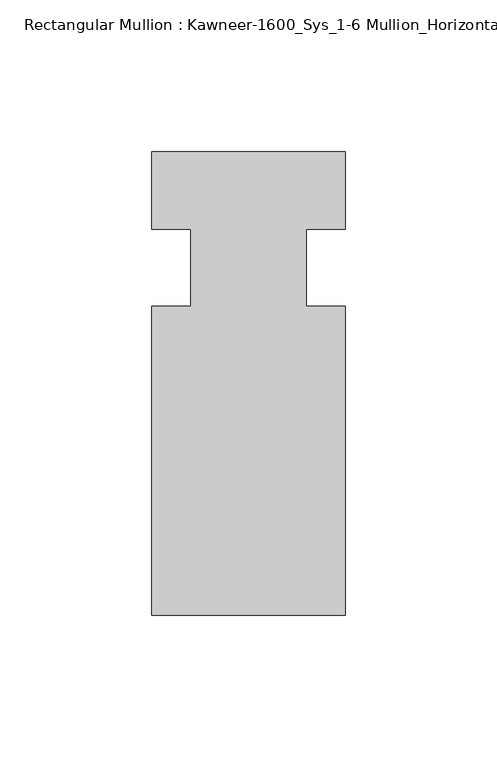
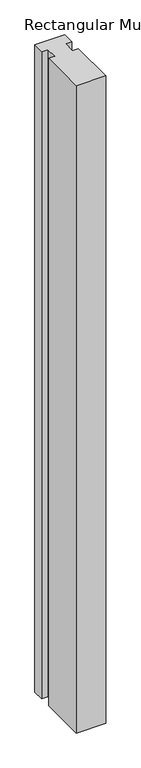
"""IFC4 building model written with IfcOpenShell, lengths in millimetres: member geometry, Rectangular Mullion : Kawneer-1600_Sys_1-6 Mullion_Horizontal."""

import ifcopenshell
import ifcopenshell.guid

model = None  # the IFC model being written
_history = None  # IfcOwnerHistory: only IFC2X3 demands one
_inside = {}  # id of a spatial element -> (the spatial element, [elements in it])
_under = {}  # id of a project, library or spatial element -> (it, [spatial elements below it])
_declared = {}  # id of a project -> (the project, [libraries it declares])
_typed = {}  # id of a type object -> (the type object, [elements of that type])
_made_of = {}  # id of a material, layer set ... -> (it, [elements and type objects made of it])


def new_model(schema):
    """Start an empty IFC model of exactly this schema.

    Asked for "IFC4X3", IfcOpenShell would pick the latest addendum, in which some entities
    have other attributes; the version numbers below select the first issue.
    IFC2X3 requires an IfcOwnerHistory on every rooted entity: one is made here for all.
    """
    global model, _history
    if schema == "IFC4X3":
        model = ifcopenshell.file(schema_version=(4, 3, 0, 0))
    else:
        model = ifcopenshell.file(schema=schema)
    _inside.clear()
    _under.clear()
    _declared.clear()
    _typed.clear()
    _made_of.clear()
    _history = None
    if model.schema == "IFC2X3":
        org = make("IfcOrganization", Name="unknown")
        user = make(
            "IfcPersonAndOrganization",
            ThePerson=make("IfcPerson", FamilyName="unknown"),
            TheOrganization=org,
        )
        app = make(
            "IfcApplication",
            ApplicationDeveloper=org,
            Version="unknown",
            ApplicationFullName="unknown",
            ApplicationIdentifier="unknown",
        )
        _history = make(
            "IfcOwnerHistory",
            OwningUser=user,
            OwningApplication=app,
            ChangeAction="ADDED",
            CreationDate=0,
        )
    return model


def make(cls, **values):
    """One entity of the class cls with the attributes given. An attribute that is None is left unset."""
    return model.create_entity(
        cls, **{name: value for name, value in values.items() if value is not None}
    )


def rooted(cls, **values):
    """An entity with a GlobalId (a new one), such as an element, a storey or a relation."""
    return make(cls, GlobalId=ifcopenshell.guid.new(), OwnerHistory=_history, **values)


def si_unit(unit_type, name, prefix=None):
    """IfcSIUnit, for example si_unit("LENGTHUNIT", "METRE", prefix="MILLI")."""
    return make("IfcSIUnit", UnitType=unit_type, Prefix=prefix, Name=name)


def assignment(units):
    """IfcUnitAssignment: the units of a project."""
    return None if units is None else make("IfcUnitAssignment", Units=units)


def point(xyz):
    """IfcCartesianPoint."""
    return None if xyz is None else make("IfcCartesianPoint", Coordinates=xyz)


def direction(xyz):
    """IfcDirection."""
    return None if xyz is None else make("IfcDirection", DirectionRatios=xyz)


def frame(location, z_axis=None, x_axis=None):
    """IfcAxis2Placement3D, a coordinate frame: its origin and axes. An axis left out is left unset."""
    return make(
        "IfcAxis2Placement3D",
        Location=point(location),
        Axis=direction(z_axis),
        RefDirection=direction(x_axis),
    )


def origin():
    """The frame at (0, 0, 0) with its axes left unset."""
    return frame((0.0, 0.0, 0.0))


def place(relative_to, where):
    """IfcLocalPlacement: puts the frame where relative to a parent placement (None: the world)."""
    return make(
        "IfcLocalPlacement", PlacementRelTo=relative_to, RelativePlacement=where
    )


def context(
    kind, dimensions, precision=None, world=None, true_north=None, identifier=None
):
    """IfcGeometricRepresentationContext, for example the 3D "Model" context."""
    return make(
        "IfcGeometricRepresentationContext",
        ContextIdentifier=identifier,
        ContextType=kind,
        CoordinateSpaceDimension=dimensions,
        Precision=precision,
        WorldCoordinateSystem=world,
        TrueNorth=true_north,
    )


def project(units=None, contexts=None):
    """IfcProject with its units and contexts."""
    return rooted(
        "IfcProject",
        Name="project",
        RepresentationContexts=contexts,
        UnitsInContext=assignment(units),
    )


def spatial(cls, under=None, at=None, **own):
    """A site, building, storey or space (cls), placed at a placement, below another one or the project."""
    s = rooted(cls, ObjectPlacement=at, **own)
    if under is not None:
        _under.setdefault(under.id(), (under, []))[1].append(s)
    return s


def polyline(points):
    """IfcPolyline through the points."""
    return make("IfcPolyline", Points=[point(p) for p in points])


def outline(outer, holes=None, kind="AREA"):
    """IfcArbitraryClosedProfileDef: a profile drawn as a closed curve; with holes, ...WithVoids."""
    if holes is None:
        return make("IfcArbitraryClosedProfileDef", ProfileType=kind, OuterCurve=outer)
    return make(
        "IfcArbitraryProfileDefWithVoids",
        ProfileType=kind,
        OuterCurve=outer,
        InnerCurves=holes,
    )


def extrude(swept, where, along, depth):
    """IfcExtrudedAreaSolid: the profile swept, set in the frame where, extruded along a direction by depth."""
    return make(
        "IfcExtrudedAreaSolid",
        SweptArea=swept,
        Position=where,
        ExtrudedDirection=direction(along),
        Depth=depth,
    )


def shape(context_of_items, identifier, shape_type, items):
    """IfcShapeRepresentation: the items that make up one representation, for example the "Body"."""
    return make(
        "IfcShapeRepresentation",
        ContextOfItems=context_of_items,
        RepresentationIdentifier=identifier,
        RepresentationType=shape_type,
        Items=items,
    )


def source(mapping_origin, context_of_items, identifier, shape_type, items):
    """IfcRepresentationMap: a shape defined once, which mapped items show again and again."""
    return make(
        "IfcRepresentationMap",
        MappingOrigin=mapping_origin,
        MappedRepresentation=shape(context_of_items, identifier, shape_type, items),
    )


def transform(
    local_origin,
    x_axis=None,
    y_axis=None,
    z_axis=None,
    scale=None,
    scale2=None,
    scale3=None,
    uniform=True,
):
    """IfcCartesianTransformationOperator3D, or its non-uniform kind. x_axis, y_axis, z_axis: its Axis1, 2, 3."""
    if uniform:
        return make(
            "IfcCartesianTransformationOperator3D",
            Axis1=direction(x_axis),
            Axis2=direction(y_axis),
            LocalOrigin=point(local_origin),
            Scale=scale,
            Axis3=direction(z_axis),
        )
    return make(
        "IfcCartesianTransformationOperator3DnonUniform",
        Axis1=direction(x_axis),
        Axis2=direction(y_axis),
        LocalOrigin=point(local_origin),
        Scale=scale,
        Axis3=direction(z_axis),
        Scale2=scale2,
        Scale3=scale3,
    )


def mapped(mapping_source, mapping_target):
    """IfcMappedItem: shows the shape of a source again, moved by a transform."""
    return make(
        "IfcMappedItem", MappingSource=mapping_source, MappingTarget=mapping_target
    )


def made_of(thing, what):
    """Note that an element or type object is made of a material, layer set ...; save() writes the relation."""
    if what is not None:
        _made_of.setdefault(what.id(), (what, []))[1].append(thing)
    return thing


def element(
    cls,
    number,
    at=None,
    inside=None,
    cuts=None,
    type_object=None,
    material=None,
    context=None,
    identifier="Body",
    shape_type=None,
    held_by="IfcProductDefinitionShape",
    body=None,
    shapes=None,
    **own,
):
    """One element of the class cls, such as IfcWall. Its Tag is "e" and its number.

    at: its placement. inside: the storey or other place that contains it. cuts: it is an
    opening in that element (IfcRelVoidsElement). A single representation is given by context,
    identifier, shape_type and body (its items); several are given by shapes. held_by: the class
    of the entity that holds the representations. save() writes the other relations.
    """
    e = rooted(cls, Tag="e%d" % number, ObjectPlacement=at, **own)
    if body is not None:
        shapes = [shape(context, identifier, shape_type, body)]
    if shapes is not None:
        e.Representation = make(held_by, Representations=shapes)
    if inside is not None:
        _inside.setdefault(inside.id(), (inside, []))[1].append(e)
    if cuts is not None:
        rooted(
            "IfcRelVoidsElement", RelatingBuildingElement=cuts, RelatedOpeningElement=e
        )
    if type_object is not None:
        _typed.setdefault(type_object.id(), (type_object, []))[1].append(e)
    return made_of(e, material)


def aggregate(whole, parts):
    """IfcRelAggregates: a whole, such as a stair, and the parts it consists of."""
    return rooted("IfcRelAggregates", RelatingObject=whole, RelatedObjects=parts)


def save(model, path):
    """Write the relations noted so far, then the file.

    IfcRelAggregates (storeys below a building ...), IfcRelContainedInSpatialStructure (elements
    in a storey), IfcRelDefinesByType, IfcRelAssociatesMaterial and IfcRelDeclares: one each for
    every whole, place, type object, material and project.
    """
    for whole, parts in _under.values():
        aggregate(whole, parts)
    for where, things in _inside.values():
        rooted(
            "IfcRelContainedInSpatialStructure",
            RelatedElements=things,
            RelatingStructure=where,
        )
    for kind, things in _typed.values():
        rooted("IfcRelDefinesByType", RelatedObjects=things, RelatingType=kind)
    for what, things in _made_of.values():
        rooted("IfcRelAssociatesMaterial", RelatedObjects=things, RelatingMaterial=what)
    for by, libraries in _declared.values():
        rooted("IfcRelDeclares", RelatingContext=by, RelatedDefinitions=libraries)
    model.write(path)


def rectangular_mullion_kawneer_1600_sys_1_6_mullion_horizontal_d105681b(model_context):
    return source(origin(), model_context, "Body", "SweptSolid", [
        extrude(outline(polyline([(31.75, -114.3), (-31.75, -114.3), (-31.75, -12.7), (-19.05, -12.7), (-19.05, 12.7), (-31.75, 12.7), (-31.75, 38.1), (31.75, 38.1), (31.75, 12.7), (19.0482296, 12.7), (19.0482296, -12.7), (31.75, -12.7), (31.75, -114.3)])), frame((0.0, 0.0, -1460.5), z_axis=(0.0, 0.0, 1.0), x_axis=(1.0, 0.0, 0.0)), (0.0, 0.0, 1.0), 1460.5),
    ])


if __name__ == "__main__":
    model = new_model("IFC4")
    model_context = context("Model", 3, world=origin())
    ifc_project = project(units=[si_unit("LENGTHUNIT", "METRE", prefix="MILLI")], contexts=[model_context])
    site = spatial("IfcSite", under=ifc_project)
    building = spatial("IfcBuilding", under=site)
    placement = place(None, origin())
    rectangular_mullion_kawneer_1600_sys_1_6_mullion_horizontal_shape = rectangular_mullion_kawneer_1600_sys_1_6_mullion_horizontal_d105681b(model_context)
    element("IfcMember", 1, ObjectType="Rectangular Mullion : Kawneer-1600_Sys_1-6 Mullion_Horizontal", at=placement, inside=building, context=model_context, shape_type="MappedRepresentation", body=[
        mapped(rectangular_mullion_kawneer_1600_sys_1_6_mullion_horizontal_shape, transform((0.0, 0.0, 0.0), x_axis=(1.0, 0.0, 0.0), y_axis=(0.0, 1.0, 0.0), z_axis=(0.0, 0.0, 1.0))),
    ])
    save(model, "model.ifc")
